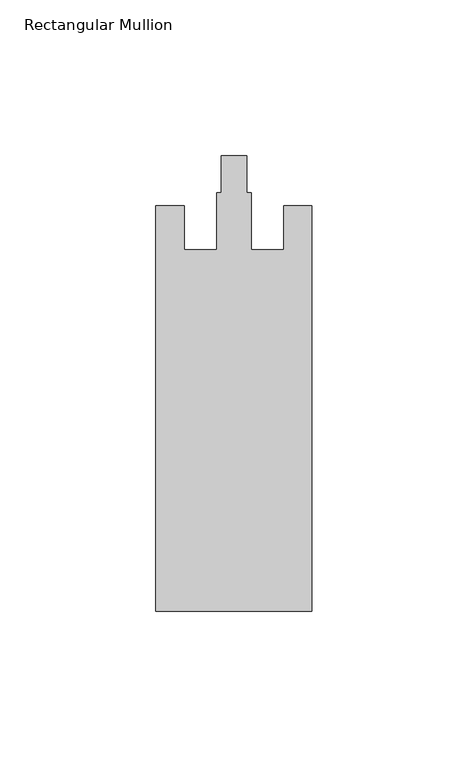
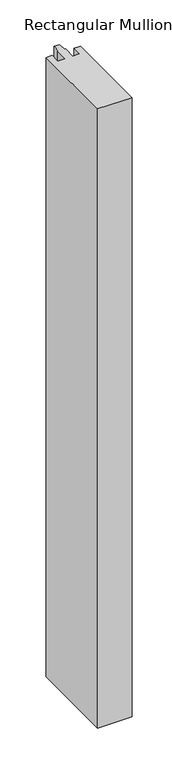
"""IFC4 building model written with IfcOpenShell, lengths in millimetres: member geometry, Rectangular Mullion."""

from ifc_helpers import new_model, si_unit, frame, origin, place, context, project, spatial, polyline, outline, extrude, source, transform, mapped, element, save


def rectangular_mullion_55c70758(model_context):
    return source(origin(), model_context, "Body", "SweptSolid", [
        extrude(outline(polyline([(-50.0, -153.0), (-50.0, -23.0), (-41.0, -23.0), (-41.0, -37.0), (-30.5, -37.0), (-30.5, -18.8), (-29.1, -18.8), (-29.1, -7.0), (-20.9, -7.0), (-20.9, -18.8), (-19.5, -18.8), (-19.5, -37.0), (-9.0, -37.0), (-9.0, -23.0), (0.0, -23.0), (0.0, -153.0), (-50.0, -153.0)])), frame((0.0, 0.0, -950.0), z_axis=(0.0, 0.0, 1.0), x_axis=(1.0, 0.0, 0.0)), (0.0, 0.0, 1.0), 950.0),
    ])


if __name__ == "__main__":
    model = new_model("IFC4")
    model_context = context("Model", 3, world=origin())
    ifc_project = project(units=[si_unit("LENGTHUNIT", "METRE", prefix="MILLI")], contexts=[model_context])
    site = spatial("IfcSite", under=ifc_project)
    building = spatial("IfcBuilding", under=site)
    placement = place(None, origin())
    rectangular_mullion_shape = rectangular_mullion_55c70758(model_context)
    element("IfcMember", 1, ObjectType="Rectangular Mullion", at=placement, inside=building, context=model_context, shape_type="MappedRepresentation", body=[
        mapped(rectangular_mullion_shape, transform((0.0, 0.0, 0.0), x_axis=(1.0, 0.0, 0.0), y_axis=(0.0, 1.0, 0.0), z_axis=(0.0, 0.0, 1.0))),
    ])
    save(model, "model.ifc")
